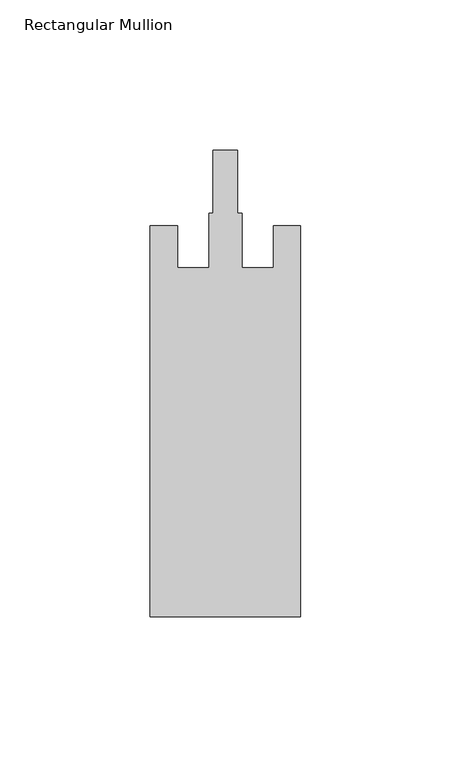
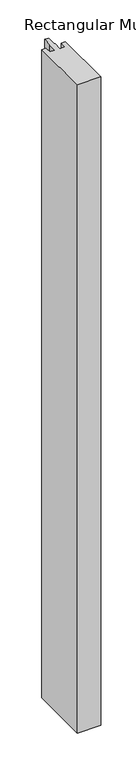
"""IFC4 building model written with IfcOpenShell, lengths in millimetres: member geometry, Rectangular Mullion."""

from ifc_helpers import new_model, si_unit, frame, origin, place, context, project, spatial, polyline, outline, extrude, source, transform, mapped, element, save


def rectangular_mullion_33d5e78b(model_context):
    return source(origin(), model_context, "Body", "SweptSolid", [
        extrude(outline(polyline([(-50.0, -162.0), (-50.0, -32.0), (-41.0, -32.0), (-41.0, -46.0), (-30.5, -46.0), (-30.5, -27.8), (-29.1, -27.8), (-29.1, -7.0), (-20.9, -7.0), (-20.9, -27.8), (-19.5, -27.8), (-19.5, -46.0), (-9.0, -46.0), (-9.0, -32.0), (0.0, -32.0), (0.0, -162.0), (-50.0, -162.0)])), frame((0.0, 0.0, -1450.0), z_axis=(0.0, 0.0, 1.0), x_axis=(1.0, 0.0, 0.0)), (0.0, 0.0, 1.0), 1450.0),
    ])


if __name__ == "__main__":
    model = new_model("IFC4")
    model_context = context("Model", 3, world=origin())
    ifc_project = project(units=[si_unit("LENGTHUNIT", "METRE", prefix="MILLI")], contexts=[model_context])
    site = spatial("IfcSite", under=ifc_project)
    building = spatial("IfcBuilding", under=site)
    placement = place(None, origin())
    rectangular_mullion_shape = rectangular_mullion_33d5e78b(model_context)
    element("IfcMember", 1, ObjectType="Rectangular Mullion", at=placement, inside=building, context=model_context, shape_type="MappedRepresentation", body=[
        mapped(rectangular_mullion_shape, transform((0.0, 0.0, 0.0), x_axis=(1.0, 0.0, 0.0), y_axis=(0.0, 1.0, 0.0), z_axis=(0.0, 0.0, 1.0))),
    ])
    save(model, "model.ifc")
